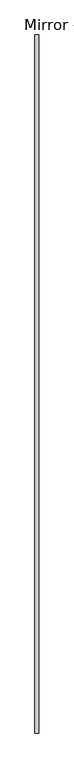
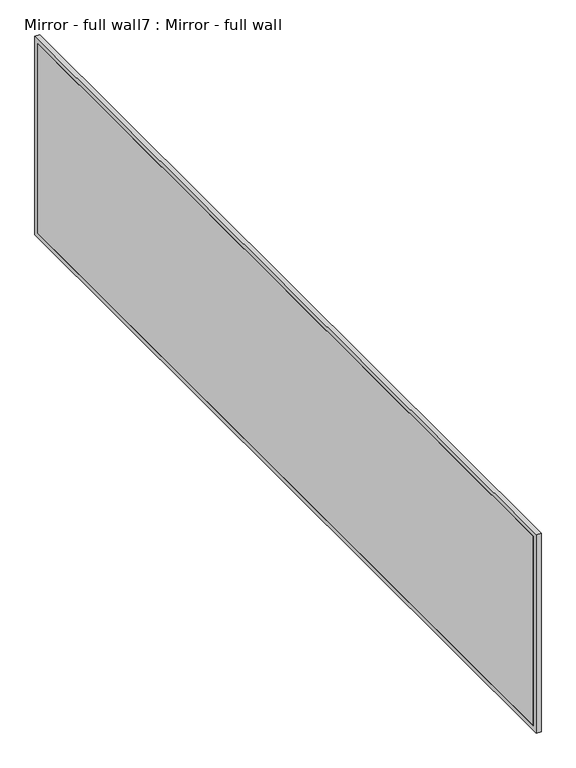
"""IFC4 building model written with IfcOpenShell, lengths in millimetres: proxy geometry, Mirror - full wall7 : Mirror - full wall."""

from ifc_helpers import new_model, si_unit, frame, origin, place, context, project, spatial, polyline, outline, extrude, source, transform, mapped, element, save


def mirror_full_wall7_mirror_full_wall_033678ae(model_context):
    return source(origin(), model_context, "Body", "SweptSolid", [
        extrude(outline(polyline([(464091.1254676, -327001.8191335), (464091.1254676, -331574.9801499), (464078.4254676, -331574.9801499), (464078.4254676, -327001.8191335), (464091.1254676, -327001.8191335)])), frame((0.0, 0.0, 1041.4), z_axis=(0.0, 0.0, 1.0), x_axis=(1.0, 0.0, 0.0)), (0.0, 0.0, 1.0), 1066.8),
        extrude(outline(polyline([(-326976.4191335, 2133.6), (-326976.4191335, 1016.0), (-331600.9830223, 1016.0), (-331600.9830223, 2133.6), (-326976.4191335, 2133.6)]), holes=[polyline([(-327001.8191335, 2108.2), (-331574.9801499, 2108.2), (-331574.9801499, 1041.4), (-327001.8191335, 1041.4), (-327001.8191335, 2108.2)])]), frame((464078.4254676, 0.0, 0.0), z_axis=(1.0, 0.0, 0.0), x_axis=(0.0, 1.0, 0.0)), (0.0, 0.0, 1.0), 25.4),
    ])


if __name__ == "__main__":
    model = new_model("IFC4")
    model_context = context("Model", 3, world=origin())
    ifc_project = project(units=[si_unit("LENGTHUNIT", "METRE", prefix="MILLI")], contexts=[model_context])
    site = spatial("IfcSite", under=ifc_project)
    building = spatial("IfcBuilding", under=site)
    placement = place(None, origin())
    mirror_full_wall7_mirror_full_wall_shape = mirror_full_wall7_mirror_full_wall_033678ae(model_context)
    element("IfcBuildingElementProxy", 1, Name="Mirror - full wall7 : Mirror - full wall", ObjectType="Mirror - full wall7 : Mirror - full wall", at=placement, inside=building, context=model_context, shape_type="MappedRepresentation", body=[
        mapped(mirror_full_wall7_mirror_full_wall_shape, transform((0.0, 0.0, 0.0), x_axis=(1.0, 0.0, 0.0), y_axis=(0.0, 1.0, 0.0), z_axis=(0.0, 0.0, 1.0))),
    ])
    save(model, "model.ifc")
